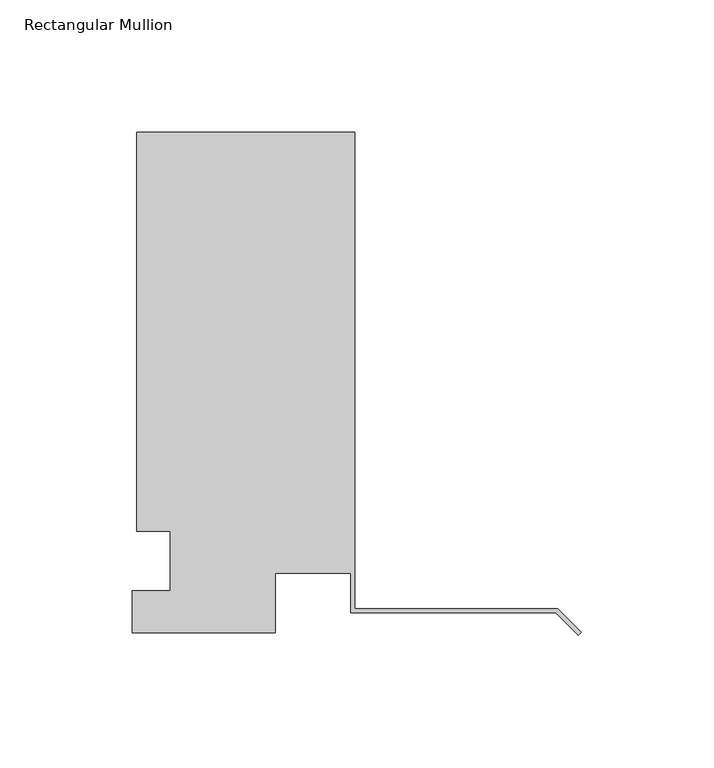
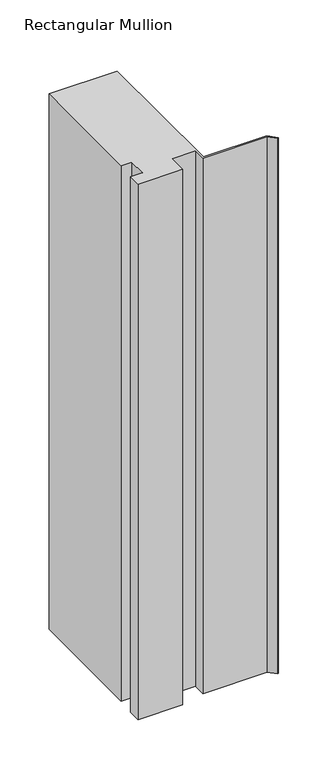
"""IFC4 building model written with IfcOpenShell, lengths in millimetres: member geometry, Rectangular Mullion."""

from ifc_helpers import new_model, si_unit, frame, origin, place, context, project, spatial, polyline, outline, extrude, source, transform, mapped, element, save


def rectangular_mullion_1ae06dec(model_context):
    return source(origin(), model_context, "Body", "SweptSolid", [
        extrude(outline(polyline([(-168.1144311, 150.9117188), (-85.5771311, 150.9117188), (-85.5771311, -29.1631889), (-8.9802561, -29.1631889), (0.0, -38.143445), (-1.122532, -39.2659771), (-9.6378202, -30.7506889), (-87.1646311, -30.7506889), (-87.1646311, -15.7757813), (-115.7396311, -15.7757813), (-115.7396311, -38.2547812), (-169.7146311, -38.2547812), (-169.7146311, -22.3797808), (-155.4271311, -22.3797808), (-155.4271311, 0.0992187), (-168.1144311, 0.0992188), (-168.1144311, 150.9117188)])), frame((0.0, 0.0, -683.6036813), z_axis=(0.0, 0.0, 1.0), x_axis=(1.0, 0.0, 0.0)), (0.0, 0.0, 1.0), 683.6036813),
    ])


if __name__ == "__main__":
    model = new_model("IFC4")
    model_context = context("Model", 3, world=origin())
    ifc_project = project(units=[si_unit("LENGTHUNIT", "METRE", prefix="MILLI")], contexts=[model_context])
    site = spatial("IfcSite", under=ifc_project)
    building = spatial("IfcBuilding", under=site)
    placement = place(None, origin())
    rectangular_mullion_shape = rectangular_mullion_1ae06dec(model_context)
    element("IfcMember", 1, ObjectType="Rectangular Mullion", at=placement, inside=building, context=model_context, shape_type="MappedRepresentation", body=[
        mapped(rectangular_mullion_shape, transform((0.0, 0.0, 0.0), x_axis=(1.0, 0.0, 0.0), y_axis=(0.0, 1.0, 0.0), z_axis=(0.0, 0.0, 1.0))),
    ])
    save(model, "model.ifc")
